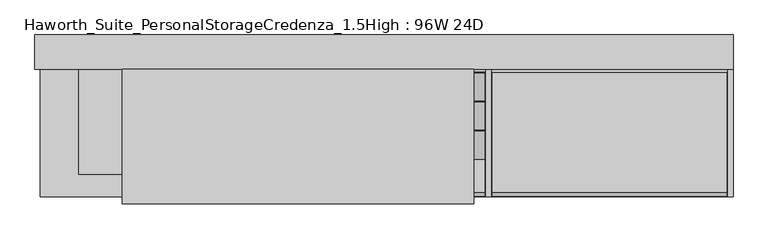
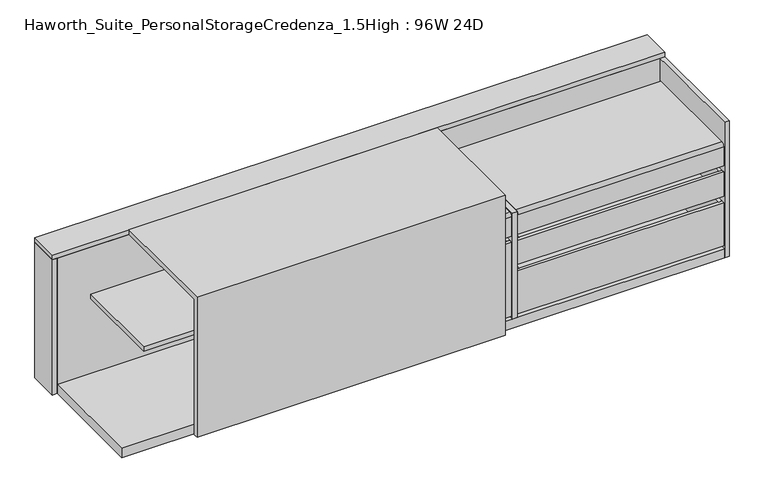
"""IFC4 building model written with IfcOpenShell, lengths in millimetres: furniture geometry, Haworth_Suite_PersonalStorageCredenza_1.5High : 96W 24D."""

from ifc_helpers import new_model, si_unit, point, frame, frame_2d, origin, origin_with_axes, place, context, project, spatial, polyline, circle_curve, trimmed, segment, composite_curve, outline, extrude, source, transform, mapped, element, save


def haworth_suite_personalstoragecredenza_1_5high_96w_24d_35cee2d5(model_context):
    return source(origin(), model_context, "Body", "SweptSolid", [
        extrude(outline(polyline([(327.025, -582.6125), (327.025, -201.6125), (339.725, -201.6125), (339.725, -582.6125), (327.025, -582.6125)])), frame((0.0, 0.0, 50.8), z_axis=(0.0, 0.0, 1.0), x_axis=(1.0, 0.0, 0.0)), (0.0, 0.0, 1.0), 311.15),
        extrude(outline(polyline([(-9.525, -201.6125), (3.175, -201.6125), (3.175, -582.6125), (-9.525, -582.6125), (-9.525, -201.6125)])), frame((0.0, 0.0, 50.8), z_axis=(0.0, 0.0, 1.0), x_axis=(1.0, 0.0, 0.0)), (0.0, 0.0, 1.0), 311.15),
        extrude(outline(polyline([(-9.525, -201.6125), (-9.525, -188.9125), (339.725, -188.9125), (339.725, -201.6125), (-9.525, -201.6125)])), frame((0.0, 0.0, 50.8), z_axis=(0.0, 0.0, 1.0), x_axis=(1.0, 0.0, 0.0)), (0.0, 0.0, 1.0), 311.15),
        extrude(outline(polyline([(-9.525, -595.3125), (-9.525, -582.6125), (339.725, -582.6125), (339.725, -595.3125), (-9.525, -595.3125)])), frame((0.0, 0.0, 50.8), z_axis=(0.0, 0.0, 1.0), x_axis=(1.0, 0.0, 0.0)), (0.0, 0.0, 1.0), 311.15),
        extrude(outline(polyline([(3.175, -582.6125), (3.175, -201.6125), (327.025, -201.6125), (327.025, -582.6125), (3.175, -582.6125)])), frame((0.0, 0.0, 50.8), z_axis=(0.0, 0.0, 1.0), x_axis=(1.0, 0.0, 0.0)), (0.0, 0.0, 1.0), 12.7),
        extrude(outline(polyline([(-163.5125, 479.425), (-162.3785714, 478.2910714), (-263.9785714, 402.0910714), (-265.1125, 403.225), (-163.5125, 479.425)])), frame((-9.525, 0.0, 0.0), z_axis=(1.0, 0.0, 0.0), x_axis=(0.0, 1.0, 0.0)), (0.0, 0.0, 1.0), 349.25),
        extrude(outline(polyline([(-366.7125, 479.425), (-365.5785714, 478.2910714), (-467.1785714, 402.0910714), (-468.3125, 403.225), (-366.7125, 479.425)])), frame((-9.525, 0.0, 0.0), z_axis=(1.0, 0.0, 0.0), x_axis=(0.0, 1.0, 0.0)), (0.0, 0.0, 1.0), 349.25),
        extrude(outline(polyline([(0.0, -127.0), (0.0, 0.0), (349.25, 0.0), (349.25, -127.0), (0.0, -127.0)])), frame((-9.525, -264.16, 478.155), z_axis=(0.0, -0.5999999999999731, 0.8000000000000203), x_axis=(1.0, 0.0, 0.0)), (0.0, 0.0, 1.0), 1.5875),
        extrude(outline(polyline([(-9.525, -593.725), (-9.525, -163.5125), (339.725, -163.5125), (339.725, -593.725), (-9.525, -593.725)])), frame((0.0, 0.0, 387.35), z_axis=(0.0, 0.0, 1.0), x_axis=(1.0, 0.0, 0.0)), (0.0, 0.0, 1.0), 15.875),
        extrude(outline(composite_curve([segment(trimmed(circle_curve(frame_2d((-582.6125, 468.3125)), 12.7), [point((-595.3125, 468.3125))], [point((-582.6125, 481.0125))], False, "CARTESIAN"), True, "CONTINUOUS"), segment(polyline([(-582.6125, 481.0125), (-468.3125, 481.0125), (-468.3125, 479.425), (-582.6125, 479.425)]), True, "CONTINUOUS"), segment(trimmed(circle_curve(frame_2d((-582.6125, 468.3125)), 11.1125), [point((-582.6125, 479.425))], [point((-593.725, 468.3125))], True, "CARTESIAN"), True, "CONTINUOUS"), segment(polyline([(-593.725, 468.3125), (-593.725, 387.35), (-595.3125, 387.35), (-595.3125, 468.3125)]), True, "CONTINUOUS")], self_intersect=False)), frame((-9.525, 0.0, 0.0), z_axis=(1.0, 0.0, 0.0), x_axis=(0.0, 1.0, 0.0)), (0.0, 0.0, 1.0), 349.25),
        extrude(outline(composite_curve([segment(trimmed(circle_curve(frame_2d((-582.6125, 468.3125)), 12.7), [point((-595.3125, 468.3125))], [point((-582.6125, 481.0125))], False, "CARTESIAN"), True, "CONTINUOUS"), segment(polyline([(-582.6125, 481.0125), (-163.5125, 481.0125), (-163.5125, 479.425), (-582.6125, 479.425)]), True, "CONTINUOUS"), segment(trimmed(circle_curve(frame_2d((-582.6125, 468.3125)), 11.1125), [point((-582.6125, 479.425))], [point((-593.725, 468.3125))], True, "CARTESIAN"), True, "CONTINUOUS"), segment(polyline([(-593.725, 468.3125), (-593.725, 387.35), (-595.3125, 387.35), (-595.3125, 468.3125)]), True, "CONTINUOUS")], self_intersect=False)), frame((365.125, 0.0, 0.0), z_axis=(1.0, 0.0, 0.0), x_axis=(0.0, 1.0, 0.0)), (0.0, 0.0, 1.0), 819.15),
        extrude(outline(polyline([(1171.575, -582.6125), (1171.575, -201.6125), (1184.275, -201.6125), (1184.275, -582.6125), (1171.575, -582.6125)])), frame((0.0, 0.0, 260.35), z_axis=(0.0, 0.0, 1.0), x_axis=(1.0, 0.0, 0.0)), (0.0, 0.0, 1.0), 101.6),
        extrude(outline(polyline([(365.125, -201.6125), (377.825, -201.6125), (377.825, -582.6125), (365.125, -582.6125), (365.125, -201.6125)])), frame((0.0, 0.0, 260.35), z_axis=(0.0, 0.0, 1.0), x_axis=(1.0, 0.0, 0.0)), (0.0, 0.0, 1.0), 101.6),
        extrude(outline(polyline([(365.125, -201.6125), (365.125, -188.9125), (1184.275, -188.9125), (1184.275, -201.6125), (365.125, -201.6125)])), frame((0.0, 0.0, 260.35), z_axis=(0.0, 0.0, 1.0), x_axis=(1.0, 0.0, 0.0)), (0.0, 0.0, 1.0), 101.6),
        extrude(outline(polyline([(365.125, -595.3125), (365.125, -582.6125), (1184.275, -582.6125), (1184.275, -595.3125), (365.125, -595.3125)])), frame((0.0, 0.0, 260.35), z_axis=(0.0, 0.0, 1.0), x_axis=(1.0, 0.0, 0.0)), (0.0, 0.0, 1.0), 101.6),
        extrude(outline(polyline([(377.825, -582.6125), (377.825, -201.6125), (1171.575, -201.6125), (1171.575, -582.6125), (377.825, -582.6125)])), frame((0.0, 0.0, 260.35), z_axis=(0.0, 0.0, 1.0), x_axis=(1.0, 0.0, 0.0)), (0.0, 0.0, 1.0), 12.7),
        extrude(outline(polyline([(1171.575, -582.6125), (1171.575, -201.6125), (1184.275, -201.6125), (1184.275, -582.6125), (1171.575, -582.6125)])), frame((0.0, 0.0, 50.8), z_axis=(0.0, 0.0, 1.0), x_axis=(1.0, 0.0, 0.0)), (0.0, 0.0, 1.0), 180.975),
        extrude(outline(polyline([(365.125, -201.6125), (377.825, -201.6125), (377.825, -582.6125), (365.125, -582.6125), (365.125, -201.6125)])), frame((0.0, 0.0, 50.8), z_axis=(0.0, 0.0, 1.0), x_axis=(1.0, 0.0, 0.0)), (0.0, 0.0, 1.0), 180.975),
        extrude(outline(polyline([(365.125, -201.6125), (365.125, -188.9125), (1184.275, -188.9125), (1184.275, -201.6125), (365.125, -201.6125)])), frame((0.0, 0.0, 50.8), z_axis=(0.0, 0.0, 1.0), x_axis=(1.0, 0.0, 0.0)), (0.0, 0.0, 1.0), 180.975),
        extrude(outline(polyline([(365.125, -595.3125), (365.125, -582.6125), (1184.275, -582.6125), (1184.275, -595.3125), (365.125, -595.3125)])), frame((0.0, 0.0, 50.8), z_axis=(0.0, 0.0, 1.0), x_axis=(1.0, 0.0, 0.0)), (0.0, 0.0, 1.0), 180.975),
        extrude(outline(polyline([(377.825, -582.6125), (377.825, -201.6125), (1171.575, -201.6125), (1171.575, -582.6125), (377.825, -582.6125)])), frame((0.0, 0.0, 50.8), z_axis=(0.0, 0.0, 1.0), x_axis=(1.0, 0.0, 0.0)), (0.0, 0.0, 1.0), 12.7),
        extrude(outline(polyline([(-603.25, 0.0), (-622.3, 0.0), (-622.3, 588.9625), (-152.4, 588.9625), (-152.4, 569.9125), (-603.25, 569.9125), (-603.25, 0.0)])), frame((-927.1, 0.0, 0.0), z_axis=(1.0, 0.0, 0.0), x_axis=(0.0, 1.0, 0.0)), (0.0, 0.0, 1.0), 1227.1375),
        extrude(outline(polyline([(361.95, -596.9), (342.9, -596.9), (342.9, -152.4), (361.95, -152.4), (361.95, -596.9)])), frame((0.0, 0.0, 38.1), z_axis=(0.0, 0.0, 1.0), x_axis=(1.0, 0.0, 0.0)), (0.0, 0.0, 1.0), 444.5),
        extrude(outline(polyline([(596.9, -133.35), (577.85, -133.35), (577.85, -31.75), (596.9, -31.75), (596.9, -133.35)])), origin_with_axes(), (0.0, 0.0, 1.0), 569.9125),
        extrude(outline(polyline([(-12.7, -133.35), (-31.75, -133.35), (-31.75, -31.75), (-12.7, -31.75), (-12.7, -133.35)])), origin_with_axes(), (0.0, 0.0, 1.0), 569.9125),
        extrude(outline(polyline([(-12.7, -596.9), (-31.75, -596.9), (-31.75, -152.4), (-12.7, -152.4), (-12.7, -596.9)])), frame((0.0, 0.0, 38.1), z_axis=(0.0, 0.0, 1.0), x_axis=(1.0, 0.0, 0.0)), (0.0, 0.0, 1.0), 531.8125),
        extrude(outline(polyline([(-1212.85, -152.4), (-1231.9, -152.4), (-1231.9, -31.75), (-1212.85, -31.75), (-1212.85, -152.4)])), origin_with_axes(), (0.0, 0.0, 1.0), 569.9125),
        extrude(outline(polyline([(-31.75, -152.4), (-31.75, -517.525), (-1079.5, -517.525), (-1079.5, -152.4), (-31.75, -152.4)])), frame((0.0, 0.0, 352.425), z_axis=(0.0, 0.0, 1.0), x_axis=(1.0, 0.0, 0.0)), (0.0, 0.0, 1.0), 19.05),
        extrude(outline(polyline([(1206.5, -31.75), (1206.5, -152.4), (-1231.9, -152.4), (-1231.9, -31.75), (1206.5, -31.75)])), frame((0.0, 0.0, 569.9125), z_axis=(0.0, 0.0, 1.0), x_axis=(1.0, 0.0, 0.0)), (0.0, 0.0, 1.0), 19.05),
        extrude(outline(polyline([(1187.45, -133.35), (1187.45, -152.4), (-1212.85, -152.4), (-1212.85, -133.35), (1187.45, -133.35)])), origin_with_axes(), (0.0, 0.0, 1.0), 569.9125),
        extrude(outline(polyline([(1187.45, -152.4), (1187.45, -596.9), (-1212.85, -596.9), (-1212.85, -152.4), (1187.45, -152.4)])), origin_with_axes(), (0.0, 0.0, 1.0), 38.1),
        extrude(outline(polyline([(1206.5, -596.9), (1187.45, -596.9), (1187.45, -31.75), (1206.5, -31.75), (1206.5, -596.9)])), origin_with_axes(), (0.0, 0.0, 1.0), 569.9125),
    ])


if __name__ == "__main__":
    model = new_model("IFC4")
    model_context = context("Model", 3, world=origin())
    ifc_project = project(units=[si_unit("LENGTHUNIT", "METRE", prefix="MILLI")], contexts=[model_context])
    site = spatial("IfcSite", under=ifc_project)
    building = spatial("IfcBuilding", under=site)
    placement = place(None, origin())
    haworth_suite_personalstoragecredenza_1_5high_96w_24d_shape = haworth_suite_personalstoragecredenza_1_5high_96w_24d_35cee2d5(model_context)
    element("IfcFurniture", 1, ObjectType="Haworth_Suite_PersonalStorageCredenza_1.5High : 96W 24D", at=placement, inside=building, context=model_context, shape_type="MappedRepresentation", body=[
        mapped(haworth_suite_personalstoragecredenza_1_5high_96w_24d_shape, transform((0.0, 0.0, 0.0), x_axis=(1.0, 0.0, 0.0), y_axis=(0.0, 1.0, 0.0), z_axis=(0.0, 0.0, 1.0))),
    ])
    save(model, "model.ifc")
